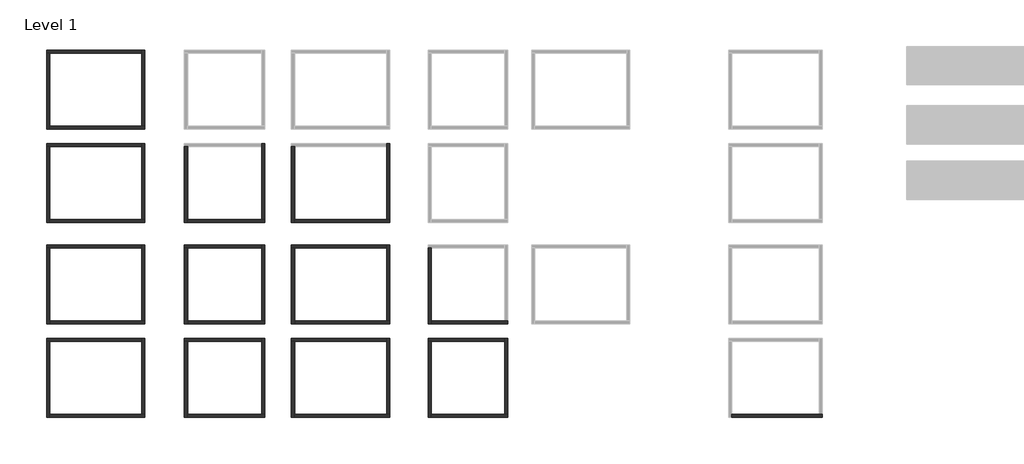
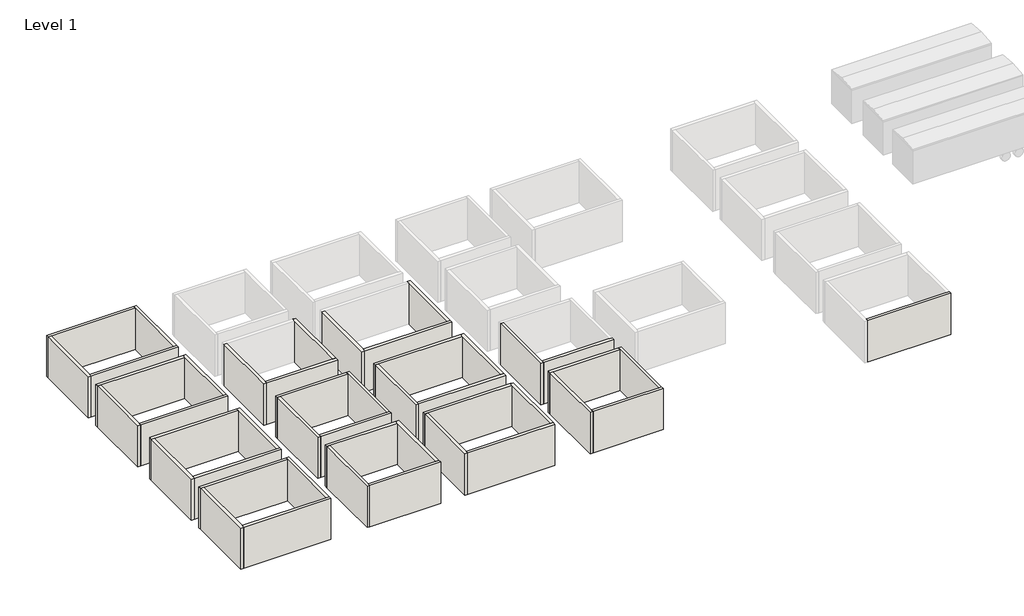
# One storey, part 1 of 2: 45 walls.
"""IFC4 building model written with IfcOpenShell, lengths in millimetres."""

import ifcopenshell
import ifcopenshell.guid

model = None  # the IFC model being written
_history = None  # IfcOwnerHistory: only IFC2X3 demands one
_inside = {}  # id of a spatial element -> (the spatial element, [elements in it])
_under = {}  # id of a project, library or spatial element -> (it, [spatial elements below it])
_declared = {}  # id of a project -> (the project, [libraries it declares])
_typed = {}  # id of a type object -> (the type object, [elements of that type])
_made_of = {}  # id of a material, layer set ... -> (it, [elements and type objects made of it])


def new_model(schema):
    """Start an empty IFC model of exactly this schema.

    Asked for "IFC4X3", IfcOpenShell would pick the latest addendum, in which some entities
    have other attributes; the version numbers below select the first issue.
    IFC2X3 requires an IfcOwnerHistory on every rooted entity: one is made here for all.
    """
    global model, _history
    if schema == "IFC4X3":
        model = ifcopenshell.file(schema_version=(4, 3, 0, 0))
    else:
        model = ifcopenshell.file(schema=schema)
    _inside.clear()
    _under.clear()
    _declared.clear()
    _typed.clear()
    _made_of.clear()
    _history = None
    if model.schema == "IFC2X3":
        org = make("IfcOrganization", Name="unknown")
        user = make(
            "IfcPersonAndOrganization",
            ThePerson=make("IfcPerson", FamilyName="unknown"),
            TheOrganization=org,
        )
        app = make(
            "IfcApplication",
            ApplicationDeveloper=org,
            Version="unknown",
            ApplicationFullName="unknown",
            ApplicationIdentifier="unknown",
        )
        _history = make(
            "IfcOwnerHistory",
            OwningUser=user,
            OwningApplication=app,
            ChangeAction="ADDED",
            CreationDate=0,
        )
    return model


def make(cls, **values):
    """One entity of the class cls with the attributes given. An attribute that is None is left unset."""
    return model.create_entity(
        cls, **{name: value for name, value in values.items() if value is not None}
    )


def rooted(cls, **values):
    """An entity with a GlobalId (a new one), such as an element, a storey or a relation."""
    return make(cls, GlobalId=ifcopenshell.guid.new(), OwnerHistory=_history, **values)


def si_unit(unit_type, name, prefix=None):
    """IfcSIUnit, for example si_unit("LENGTHUNIT", "METRE", prefix="MILLI")."""
    return make("IfcSIUnit", UnitType=unit_type, Prefix=prefix, Name=name)


def assignment(units):
    """IfcUnitAssignment: the units of a project."""
    return None if units is None else make("IfcUnitAssignment", Units=units)


def point(xyz):
    """IfcCartesianPoint."""
    return None if xyz is None else make("IfcCartesianPoint", Coordinates=xyz)


def direction(xyz):
    """IfcDirection."""
    return None if xyz is None else make("IfcDirection", DirectionRatios=xyz)


def frame(location, z_axis=None, x_axis=None):
    """IfcAxis2Placement3D, a coordinate frame: its origin and axes. An axis left out is left unset."""
    return make(
        "IfcAxis2Placement3D",
        Location=point(location),
        Axis=direction(z_axis),
        RefDirection=direction(x_axis),
    )


def origin():
    """The frame at (0, 0, 0) with its axes left unset."""
    return frame((0.0, 0.0, 0.0))


def place(relative_to, where):
    """IfcLocalPlacement: puts the frame where relative to a parent placement (None: the world)."""
    return make(
        "IfcLocalPlacement", PlacementRelTo=relative_to, RelativePlacement=where
    )


def context(
    kind, dimensions, precision=None, world=None, true_north=None, identifier=None
):
    """IfcGeometricRepresentationContext, for example the 3D "Model" context."""
    return make(
        "IfcGeometricRepresentationContext",
        ContextIdentifier=identifier,
        ContextType=kind,
        CoordinateSpaceDimension=dimensions,
        Precision=precision,
        WorldCoordinateSystem=world,
        TrueNorth=true_north,
    )


def project(units=None, contexts=None):
    """IfcProject with its units and contexts."""
    return rooted(
        "IfcProject",
        Name="project",
        RepresentationContexts=contexts,
        UnitsInContext=assignment(units),
    )


def spatial(cls, under=None, at=None, **own):
    """A site, building, storey or space (cls), placed at a placement, below another one or the project."""
    s = rooted(cls, ObjectPlacement=at, **own)
    if under is not None:
        _under.setdefault(under.id(), (under, []))[1].append(s)
    return s


def faces_of(points, faces, orient=None, outer=None):
    """IfcFace entities. A face is a list of loops; a loop is a list of indices into points, from 0.

    orient and outer hold one flag for each loop. By default every Orientation is true, the
    first loop of a face is its IfcFaceOuterBound and the others are IfcFaceBound.
    """
    made = []
    for i, loops in enumerate(faces):
        bounds = []
        for j, loop in enumerate(loops):
            is_outer = j == 0 if outer is None else outer[i][j]
            bounds.append(
                make(
                    "IfcFaceOuterBound" if is_outer else "IfcFaceBound",
                    Bound=make("IfcPolyLoop", Polygon=[points[k] for k in loop]),
                    Orientation=True if orient is None else orient[i][j],
                )
            )
        made.append(make("IfcFace", Bounds=bounds))
    return made


def faceted_brep(points, faces, orient=None, outer=None, voids=None):
    """IfcFacetedBrep: a solid bounded by flat faces; with voids (closed shells), ...WithVoids."""
    shared = [point(p) for p in points]
    hull = make("IfcClosedShell", CfsFaces=faces_of(shared, faces, orient, outer))
    if voids is None:
        return make("IfcFacetedBrep", Outer=hull)
    return make(
        "IfcFacetedBrepWithVoids",
        Outer=hull,
        Voids=[
            make(cls, CfsFaces=faces_of(shared, fs, o, b)) for cls, fs, o, b in voids
        ],
    )


def shape(context_of_items, identifier, shape_type, items):
    """IfcShapeRepresentation: the items that make up one representation, for example the "Body"."""
    return make(
        "IfcShapeRepresentation",
        ContextOfItems=context_of_items,
        RepresentationIdentifier=identifier,
        RepresentationType=shape_type,
        Items=items,
    )


def made_of(thing, what):
    """Note that an element or type object is made of a material, layer set ...; save() writes the relation."""
    if what is not None:
        _made_of.setdefault(what.id(), (what, []))[1].append(thing)
    return thing


def element(
    cls,
    number,
    at=None,
    inside=None,
    cuts=None,
    type_object=None,
    material=None,
    context=None,
    identifier="Body",
    shape_type=None,
    held_by="IfcProductDefinitionShape",
    body=None,
    shapes=None,
    **own,
):
    """One element of the class cls, such as IfcWall. Its Tag is "e" and its number.

    at: its placement. inside: the storey or other place that contains it. cuts: it is an
    opening in that element (IfcRelVoidsElement). A single representation is given by context,
    identifier, shape_type and body (its items); several are given by shapes. held_by: the class
    of the entity that holds the representations. save() writes the other relations.
    """
    e = rooted(cls, Tag="e%d" % number, ObjectPlacement=at, **own)
    if body is not None:
        shapes = [shape(context, identifier, shape_type, body)]
    if shapes is not None:
        e.Representation = make(held_by, Representations=shapes)
    if inside is not None:
        _inside.setdefault(inside.id(), (inside, []))[1].append(e)
    if cuts is not None:
        rooted(
            "IfcRelVoidsElement", RelatingBuildingElement=cuts, RelatedOpeningElement=e
        )
    if type_object is not None:
        _typed.setdefault(type_object.id(), (type_object, []))[1].append(e)
    return made_of(e, material)


def aggregate(whole, parts):
    """IfcRelAggregates: a whole, such as a stair, and the parts it consists of."""
    return rooted("IfcRelAggregates", RelatingObject=whole, RelatedObjects=parts)


def save(model, path):
    """Write the relations noted so far, then the file.

    IfcRelAggregates (storeys below a building ...), IfcRelContainedInSpatialStructure (elements
    in a storey), IfcRelDefinesByType, IfcRelAssociatesMaterial and IfcRelDeclares: one each for
    every whole, place, type object, material and project.
    """
    for whole, parts in _under.values():
        aggregate(whole, parts)
    for where, things in _inside.values():
        rooted(
            "IfcRelContainedInSpatialStructure",
            RelatedElements=things,
            RelatingStructure=where,
        )
    for kind, things in _typed.values():
        rooted("IfcRelDefinesByType", RelatedObjects=things, RelatingType=kind)
    for what, things in _made_of.values():
        rooted("IfcRelAssociatesMaterial", RelatedObjects=things, RelatingMaterial=what)
    for by, libraries in _declared.values():
        rooted("IfcRelDeclares", RelatingContext=by, RelatedDefinitions=libraries)
    model.write(path)


model = new_model("IFC4")

# Units and contexts
model_context = context("Model", 3, world=origin())
ifc_project = project(units=[si_unit("LENGTHUNIT", "METRE", prefix="MILLI")], contexts=[model_context])

# Site, building, storey
site = spatial("IfcSite", under=ifc_project)
building = spatial("IfcBuilding", under=site)
storey = spatial("IfcBuildingStorey", under=building, Name="Level 1", Elevation=0.0)

# Walls
placement = place(None, origin())
element("IfcWall", 1, ObjectType="Generic - 8\"", at=placement, inside=storey, context=model_context, shape_type="Brep", body=[
    faceted_brep([(-6605.5132406, 22706.2571144, 0.0), (-6402.3132406, 22706.2571144, 0.0), (-509.5132406, 22706.2571144, 0.0), (-509.5132406, 22706.2571144, 3048.0), (-6402.3132406, 22706.2571144, 3048.0), (-6605.5132406, 22706.2571144, 3048.0), (-6605.5132406, 22909.4571144, 0.0), (-6605.5132406, 22909.4571144, 3048.0), (-509.5132406, 22909.4571144, 3048.0), (-509.5132406, 22909.4571144, 0.0)], [[[0, 1, 2, 3, 4, 5]], [[6, 7, 8, 9]], [[2, 1, 0, 6, 9]], [[5, 4, 3, 8, 7]], [[0, 5, 7, 6]], [[3, 2, 9, 8]]]),
])
element("IfcWall", 2, ObjectType="Generic - 8\"", at=placement, inside=storey, context=model_context, shape_type="Brep", body=[
    faceted_brep([(-6402.3132406, 17829.4571144, 0.0), (-6402.3132406, 18032.6571144, 0.0), (-6402.3132406, 22706.2571144, 0.0), (-6402.3132406, 22706.2571144, 3048.0), (-6402.3132406, 18032.6571144, 3048.0), (-6402.3132406, 17829.4571144, 3048.0), (-6605.5132406, 17829.4571144, 0.0), (-6605.5132406, 17829.4571144, 3048.0), (-6605.5132406, 22706.2571144, 3048.0), (-6605.5132406, 22706.2571144, 0.0)], [[[0, 1, 2, 3, 4, 5]], [[6, 7, 8, 9]], [[2, 1, 0, 6, 9]], [[5, 4, 3, 8, 7]], [[0, 5, 7, 6]], [[3, 2, 9, 8]]]),
])
element("IfcWall", 3, ObjectType="Generic - 8\"", at=placement, inside=storey, context=model_context, shape_type="Brep", body=[
    faceted_brep([(-306.3132406, 18032.6571144, 0.0), (-509.5132406, 18032.6571144, 0.0), (-6402.3132406, 18032.6571144, 0.0), (-6402.3132406, 18032.6571144, 3048.0), (-509.5132406, 18032.6571144, 3048.0), (-306.3132406, 18032.6571144, 3048.0), (-306.3132406, 17829.4571144, 0.0), (-306.3132406, 17829.4571144, 3048.0), (-6402.3132406, 17829.4571144, 3048.0), (-6402.3132406, 17829.4571144, 0.0)], [[[0, 1, 2, 3, 4, 5]], [[6, 7, 8, 9]], [[2, 1, 0, 6, 9]], [[5, 4, 3, 8, 7]], [[0, 5, 7, 6]], [[3, 2, 9, 8]]]),
])
element("IfcWall", 4, ObjectType="Generic - 8\"", at=placement, inside=storey, context=model_context, shape_type="Brep", body=[
    faceted_brep([(-509.5132406, 22909.4571144, 0.0), (-509.5132406, 22706.2571144, 0.0), (-509.5132406, 18032.6571144, 0.0), (-509.5132406, 18032.6571144, 3048.0), (-509.5132406, 22706.2571144, 3048.0), (-509.5132406, 22909.4571144, 3048.0), (-306.3132406, 22909.4571144, 0.0), (-306.3132406, 22909.4571144, 3048.0), (-306.3132406, 18032.6571144, 3048.0), (-306.3132406, 18032.6571144, 0.0)], [[[0, 1, 2, 3, 4, 5]], [[6, 7, 8, 9]], [[2, 1, 0, 6, 9]], [[5, 4, 3, 8, 7]], [[0, 5, 7, 6]], [[3, 2, 9, 8]]]),
])
element("IfcWall", 5, ObjectType="Generic - 8\"", at=placement, inside=storey, context=model_context, shape_type="Brep", body=[
    faceted_brep([(-6605.5132406, 16711.204544, 0.0), (-6402.3132406, 16711.204544, 0.0), (-509.5132406, 16711.204544, 0.0), (-509.5132406, 16711.204544, 3048.0), (-6402.3132406, 16711.204544, 3048.0), (-6605.5132406, 16711.204544, 3048.0), (-6605.5132406, 16914.404544, 0.0), (-6605.5132406, 16914.404544, 3048.0), (-509.5132406, 16914.404544, 3048.0), (-509.5132406, 16914.404544, 0.0)], [[[0, 1, 2, 3, 4, 5]], [[6, 7, 8, 9]], [[2, 1, 0, 6, 9]], [[5, 4, 3, 8, 7]], [[0, 5, 7, 6]], [[3, 2, 9, 8]]]),
])
element("IfcWall", 6, ObjectType="Generic - 8\"", at=placement, inside=storey, context=model_context, shape_type="Brep", body=[
    faceted_brep([(-6402.3132406, 11837.9932938, 0.0), (-6402.3132406, 12041.1932938, 0.0), (-6402.3132406, 16711.204544, 0.0), (-6402.3132406, 16711.204544, 3048.0), (-6402.3132406, 12041.1932938, 3048.0), (-6402.3132406, 11837.9932938, 3048.0), (-6605.5132406, 11837.9932938, 0.0), (-6605.5132406, 11837.9932938, 3048.0), (-6605.5132406, 16711.204544, 3048.0), (-6605.5132406, 16711.204544, 0.0)], [[[0, 1, 2, 3, 4, 5]], [[6, 7, 8, 9]], [[2, 1, 0, 6, 9]], [[5, 4, 3, 8, 7]], [[0, 5, 7, 6]], [[3, 2, 9, 8]]]),
])
element("IfcWall", 7, ObjectType="Generic - 8\"", at=placement, inside=storey, context=model_context, shape_type="Brep", body=[
    faceted_brep([(-306.3132406, 12041.1932938, 0.0), (-509.5132406, 12041.1932938, 0.0), (-6402.3132406, 12041.1932938, 0.0), (-6402.3132406, 12041.1932938, 3048.0), (-509.5132406, 12041.1932938, 3048.0), (-306.3132406, 12041.1932938, 3048.0), (-306.3132406, 11837.9932938, 0.0), (-306.3132406, 11837.9932938, 3048.0), (-6402.3132406, 11837.9932938, 3048.0), (-6402.3132406, 11837.9932938, 0.0)], [[[0, 1, 2, 3, 4, 5]], [[6, 7, 8, 9]], [[2, 1, 0, 6, 9]], [[5, 4, 3, 8, 7]], [[0, 5, 7, 6]], [[3, 2, 9, 8]]]),
])
element("IfcWall", 8, ObjectType="Generic - 8\"", at=placement, inside=storey, context=model_context, shape_type="Brep", body=[
    faceted_brep([(-509.5132406, 16914.404544, 0.0), (-509.5132406, 16711.204544, 0.0), (-509.5132406, 12041.1932938, 0.0), (-509.5132406, 12041.1932938, 3048.0), (-509.5132406, 16711.204544, 3048.0), (-509.5132406, 16914.404544, 3048.0), (-306.3132406, 16914.404544, 0.0), (-306.3132406, 16914.404544, 3048.0), (-306.3132406, 12041.1932938, 3048.0), (-306.3132406, 12041.1932938, 0.0)], [[[0, 1, 2, 3, 4, 5]], [[6, 7, 8, 9]], [[2, 1, 0, 6, 9]], [[5, 4, 3, 8, 7]], [[0, 5, 7, 6]], [[3, 2, 9, 8]]]),
])
element("IfcWall", 9, ObjectType="Generic - 8\"", at=placement, inside=storey, context=model_context, shape_type="Brep", body=[
    faceted_brep([(2434.9865859, 11837.9932938, 0.0), (2434.9865859, 12041.1932938, 0.0), (2434.9865859, 16711.204544, 0.0), (2434.9865859, 16711.204544, 3048.0), (2434.9865859, 12041.1932938, 3048.0), (2434.9865859, 11837.9932938, 3048.0), (2231.7865859, 11837.9932938, 0.0), (2231.7865859, 11837.9932938, 3048.0), (2231.7865859, 16711.204544, 3048.0), (2231.7865859, 16711.204544, 0.0)], [[[0, 1, 2, 3, 4, 5]], [[6, 7, 8, 9]], [[2, 1, 0, 6, 9]], [[5, 4, 3, 8, 7]], [[0, 5, 7, 6]], [[3, 2, 9, 8]]]),
])
element("IfcWall", 10, ObjectType="Generic - 8\"", at=placement, inside=storey, context=model_context, shape_type="Brep", body=[
    faceted_brep([(7381.3329728, 12041.1932938, 0.0), (7178.1329728, 12041.1932938, 0.0), (2434.9865859, 12041.1932938, 0.0), (2434.9865859, 12041.1932938, 3048.0), (7178.1329728, 12041.1932938, 3048.0), (7381.3329728, 12041.1932938, 3048.0), (7381.3329728, 11837.9932938, 0.0), (7381.3329728, 11837.9932938, 3048.0), (2434.9865859, 11837.9932938, 3048.0), (2434.9865859, 11837.9932938, 0.0)], [[[0, 1, 2, 3, 4, 5]], [[6, 7, 8, 9]], [[2, 1, 0, 6, 9]], [[5, 4, 3, 8, 7]], [[0, 5, 7, 6]], [[3, 2, 9, 8]]]),
])
element("IfcWall", 11, ObjectType="Generic - 8\"", at=placement, inside=storey, context=model_context, shape_type="Brep", body=[
    faceted_brep([(7178.1329728, 16914.404544, 0.0), (7178.1329728, 16711.204544, 0.0), (7178.1329728, 12041.1932938, 0.0), (7178.1329728, 12041.1932938, 3048.0), (7178.1329728, 16711.204544, 3048.0), (7178.1329728, 16914.404544, 3048.0), (7381.3329728, 16914.404544, 0.0), (7381.3329728, 16914.404544, 3048.0), (7381.3329728, 12041.1932938, 3048.0), (7381.3329728, 12041.1932938, 0.0)], [[[0, 1, 2, 3, 4, 5]], [[6, 7, 8, 9]], [[2, 1, 0, 6, 9]], [[5, 4, 3, 8, 7]], [[0, 5, 7, 6]], [[3, 2, 9, 8]]]),
])
element("IfcWall", 12, ObjectType="Generic - 8\"", at=placement, inside=storey, context=model_context, shape_type="Brep", body=[
    faceted_brep([(9294.8867594, 11837.9932938, 0.0), (9294.8867594, 12041.1932938, 0.0), (9294.8867594, 16711.204544, 0.0), (9294.8867594, 16711.204544, 3048.0), (9294.8867594, 12041.1932938, 3048.0), (9294.8867594, 11837.9932938, 3048.0), (9091.6867594, 11837.9932938, 0.0), (9091.6867594, 11837.9932938, 3048.0), (9091.6867594, 16711.204544, 3048.0), (9091.6867594, 16711.204544, 0.0)], [[[0, 1, 2, 3, 4, 5]], [[6, 7, 8, 9]], [[2, 1, 0, 6, 9]], [[5, 4, 3, 8, 7]], [[0, 5, 7, 6]], [[3, 2, 9, 8]]]),
])
element("IfcWall", 13, ObjectType="Generic - 8\"", at=placement, inside=storey, context=model_context, shape_type="Brep", body=[
    faceted_brep([(15390.8867594, 12041.1932938, 0.0), (15187.6867594, 12041.1932938, 0.0), (9294.8867594, 12041.1932938, 0.0), (9294.8867594, 12041.1932938, 3048.0), (15187.6867594, 12041.1932938, 3048.0), (15390.8867594, 12041.1932938, 3048.0), (15390.8867594, 11837.9932938, 0.0), (15390.8867594, 11837.9932938, 3048.0), (9294.8867594, 11837.9932938, 3048.0), (9294.8867594, 11837.9932938, 0.0)], [[[0, 1, 2, 3, 4, 5]], [[6, 7, 8, 9]], [[2, 1, 0, 6, 9]], [[5, 4, 3, 8, 7]], [[0, 5, 7, 6]], [[3, 2, 9, 8]]]),
])
element("IfcWall", 14, ObjectType="Generic - 8\"", at=placement, inside=storey, context=model_context, shape_type="Brep", body=[
    faceted_brep([(15187.6867594, 16914.404544, 0.0), (15187.6867594, 16711.204544, 0.0), (15187.6867594, 12041.1932938, 0.0), (15187.6867594, 12041.1932938, 3048.0), (15187.6867594, 16711.204544, 3048.0), (15187.6867594, 16914.404544, 3048.0), (15390.8867594, 16914.404544, 0.0), (15390.8867594, 16914.404544, 3048.0), (15390.8867594, 12041.1932938, 3048.0), (15390.8867594, 12041.1932938, 0.0)], [[[0, 1, 2, 3, 4, 5]], [[6, 7, 8, 9]], [[2, 1, 0, 6, 9]], [[5, 4, 3, 8, 7]], [[0, 5, 7, 6]], [[3, 2, 9, 8]]]),
])
element("IfcWall", 15, ObjectType="Generic - 8\"", at=placement, inside=storey, context=model_context, shape_type="Brep", body=[
    faceted_brep([(-6605.5132406, 10209.4571144, 0.0), (-6402.3132406, 10209.4571144, 0.0), (-509.5132406, 10209.4571144, 0.0), (-509.5132406, 10209.4571144, 3048.0), (-6402.3132406, 10209.4571144, 3048.0), (-6605.5132406, 10209.4571144, 3048.0), (-6605.5132406, 10412.6571144, 0.0), (-6605.5132406, 10412.6571144, 3048.0), (-509.5132406, 10412.6571144, 3048.0), (-509.5132406, 10412.6571144, 0.0)], [[[0, 1, 2, 3, 4, 5]], [[6, 7, 8, 9]], [[2, 1, 0, 6, 9]], [[5, 4, 3, 8, 7]], [[0, 5, 7, 6]], [[3, 2, 9, 8]]]),
])
element("IfcWall", 16, ObjectType="Generic - 8\"", at=placement, inside=storey, context=model_context, shape_type="Brep", body=[
    faceted_brep([(-6402.3132406, 5332.6571144, 0.0), (-6402.3132406, 5535.8571144, 0.0), (-6402.3132406, 10209.4571144, 0.0), (-6402.3132406, 10209.4571144, 3048.0), (-6402.3132406, 5535.8571144, 3048.0), (-6402.3132406, 5332.6571144, 3048.0), (-6605.5132406, 5332.6571144, 0.0), (-6605.5132406, 5332.6571144, 3048.0), (-6605.5132406, 10209.4571144, 3048.0), (-6605.5132406, 10209.4571144, 0.0)], [[[0, 1, 2, 3, 4, 5]], [[6, 7, 8, 9]], [[2, 1, 0, 6, 9]], [[5, 4, 3, 8, 7]], [[0, 5, 7, 6]], [[3, 2, 9, 8]]]),
])
element("IfcWall", 17, ObjectType="Generic - 8\"", at=placement, inside=storey, context=model_context, shape_type="Brep", body=[
    faceted_brep([(-306.3132406, 5535.8571144, 0.0), (-509.5132406, 5535.8571144, 0.0), (-6402.3132406, 5535.8571144, 0.0), (-6402.3132406, 5535.8571144, 3048.0), (-509.5132406, 5535.8571144, 3048.0), (-306.3132406, 5535.8571144, 3048.0), (-306.3132406, 5332.6571144, 0.0), (-306.3132406, 5332.6571144, 3048.0), (-6402.3132406, 5332.6571144, 3048.0), (-6402.3132406, 5332.6571144, 0.0)], [[[0, 1, 2, 3, 4, 5]], [[6, 7, 8, 9]], [[2, 1, 0, 6, 9]], [[5, 4, 3, 8, 7]], [[0, 5, 7, 6]], [[3, 2, 9, 8]]]),
])
element("IfcWall", 18, ObjectType="Generic - 8\"", at=placement, inside=storey, context=model_context, shape_type="Brep", body=[
    faceted_brep([(-509.5132406, 10412.6571144, 0.0), (-509.5132406, 10209.4571144, 0.0), (-509.5132406, 5535.8571144, 0.0), (-509.5132406, 5535.8571144, 3048.0), (-509.5132406, 10209.4571144, 3048.0), (-509.5132406, 10412.6571144, 3048.0), (-306.3132406, 10412.6571144, 0.0), (-306.3132406, 10412.6571144, 3048.0), (-306.3132406, 5535.8571144, 3048.0), (-306.3132406, 5535.8571144, 0.0)], [[[0, 1, 2, 3, 4, 5]], [[6, 7, 8, 9]], [[2, 1, 0, 6, 9]], [[5, 4, 3, 8, 7]], [[0, 5, 7, 6]], [[3, 2, 9, 8]]]),
])
element("IfcWall", 19, ObjectType="Generic - 8\"", at=placement, inside=storey, context=model_context, shape_type="Brep", body=[
    faceted_brep([(2231.7865859, 10209.4571144, 0.0), (2434.9865859, 10209.4571144, 0.0), (7178.1329728, 10209.4571144, 0.0), (7178.1329728, 10209.4571144, 3048.0), (2434.9865859, 10209.4571144, 3048.0), (2231.7865859, 10209.4571144, 3048.0), (2231.7865859, 10412.6571144, 0.0), (2231.7865859, 10412.6571144, 3048.0), (7178.1329728, 10412.6571144, 3048.0), (7178.1329728, 10412.6571144, 0.0)], [[[0, 1, 2, 3, 4, 5]], [[6, 7, 8, 9]], [[2, 1, 0, 6, 9]], [[5, 4, 3, 8, 7]], [[0, 5, 7, 6]], [[3, 2, 9, 8]]]),
])
element("IfcWall", 20, ObjectType="Generic - 8\"", at=placement, inside=storey, context=model_context, shape_type="Brep", body=[
    faceted_brep([(2434.9865859, 5332.6571144, 0.0), (2434.9865859, 5535.8571144, 0.0), (2434.9865859, 10209.4571144, 0.0), (2434.9865859, 10209.4571144, 3048.0), (2434.9865859, 5535.8571144, 3048.0), (2434.9865859, 5332.6571144, 3048.0), (2231.7865859, 5332.6571144, 0.0), (2231.7865859, 5332.6571144, 3048.0), (2231.7865859, 10209.4571144, 3048.0), (2231.7865859, 10209.4571144, 0.0)], [[[0, 1, 2, 3, 4, 5]], [[6, 7, 8, 9]], [[2, 1, 0, 6, 9]], [[5, 4, 3, 8, 7]], [[0, 5, 7, 6]], [[3, 2, 9, 8]]]),
])
element("IfcWall", 21, ObjectType="Generic - 8\"", at=placement, inside=storey, context=model_context, shape_type="Brep", body=[
    faceted_brep([(7381.3329728, 5535.8571144, 0.0), (7178.1329728, 5535.8571144, 0.0), (2434.9865859, 5535.8571144, 0.0), (2434.9865859, 5535.8571144, 3048.0), (7178.1329728, 5535.8571144, 3048.0), (7381.3329728, 5535.8571144, 3048.0), (7381.3329728, 5332.6571144, 0.0), (7381.3329728, 5332.6571144, 3048.0), (2434.9865859, 5332.6571144, 3048.0), (2434.9865859, 5332.6571144, 0.0)], [[[0, 1, 2, 3, 4, 5]], [[6, 7, 8, 9]], [[2, 1, 0, 6, 9]], [[5, 4, 3, 8, 7]], [[0, 5, 7, 6]], [[3, 2, 9, 8]]]),
])
element("IfcWall", 22, ObjectType="Generic - 8\"", at=placement, inside=storey, context=model_context, shape_type="Brep", body=[
    faceted_brep([(7178.1329728, 10412.6571144, 0.0), (7178.1329728, 10209.4571144, 0.0), (7178.1329728, 5535.8571144, 0.0), (7178.1329728, 5535.8571144, 3048.0), (7178.1329728, 10209.4571144, 3048.0), (7178.1329728, 10412.6571144, 3048.0), (7381.3329728, 10412.6571144, 0.0), (7381.3329728, 10412.6571144, 3048.0), (7381.3329728, 5535.8571144, 3048.0), (7381.3329728, 5535.8571144, 0.0)], [[[0, 1, 2, 3, 4, 5]], [[6, 7, 8, 9]], [[2, 1, 0, 6, 9]], [[5, 4, 3, 8, 7]], [[0, 5, 7, 6]], [[3, 2, 9, 8]]]),
])
element("IfcWall", 23, ObjectType="Generic - 8\"", at=placement, inside=storey, context=model_context, shape_type="Brep", body=[
    faceted_brep([(-6605.5132406, 4214.404544, 0.0), (-6402.3132406, 4214.404544, 0.0), (-509.5132406, 4214.404544, 0.0), (-509.5132406, 4214.404544, 3048.0), (-6402.3132406, 4214.404544, 3048.0), (-6605.5132406, 4214.404544, 3048.0), (-6605.5132406, 4417.604544, 0.0), (-6605.5132406, 4417.604544, 3048.0), (-509.5132406, 4417.604544, 3048.0), (-509.5132406, 4417.604544, 0.0)], [[[0, 1, 2, 3, 4, 5]], [[6, 7, 8, 9]], [[2, 1, 0, 6, 9]], [[5, 4, 3, 8, 7]], [[0, 5, 7, 6]], [[3, 2, 9, 8]]]),
])
element("IfcWall", 24, ObjectType="Generic - 8\"", at=placement, inside=storey, context=model_context, shape_type="Brep", body=[
    faceted_brep([(-6402.3132406, -658.8067062, 0.0), (-6402.3132406, -455.6067062, 0.0), (-6402.3132406, 4214.404544, 0.0), (-6402.3132406, 4214.404544, 3048.0), (-6402.3132406, -455.6067062, 3048.0), (-6402.3132406, -658.8067062, 3048.0), (-6605.5132406, -658.8067062, 0.0), (-6605.5132406, -658.8067062, 3048.0), (-6605.5132406, 4214.404544, 3048.0), (-6605.5132406, 4214.404544, 0.0)], [[[0, 1, 2, 3, 4, 5]], [[6, 7, 8, 9]], [[2, 1, 0, 6, 9]], [[5, 4, 3, 8, 7]], [[0, 5, 7, 6]], [[3, 2, 9, 8]]]),
])
element("IfcWall", 25, ObjectType="Generic - 8\"", at=placement, inside=storey, context=model_context, shape_type="Brep", body=[
    faceted_brep([(-306.3132406, -455.6067062, 0.0), (-509.5132406, -455.6067062, 0.0), (-6402.3132406, -455.6067062, 0.0), (-6402.3132406, -455.6067062, 3048.0), (-509.5132406, -455.6067062, 3048.0), (-306.3132406, -455.6067062, 3048.0), (-306.3132406, -658.8067062, 0.0), (-306.3132406, -658.8067062, 3048.0), (-6402.3132406, -658.8067062, 3048.0), (-6402.3132406, -658.8067062, 0.0)], [[[0, 1, 2, 3, 4, 5]], [[6, 7, 8, 9]], [[2, 1, 0, 6, 9]], [[5, 4, 3, 8, 7]], [[0, 5, 7, 6]], [[3, 2, 9, 8]]]),
])
element("IfcWall", 26, ObjectType="Generic - 8\"", at=placement, inside=storey, context=model_context, shape_type="Brep", body=[
    faceted_brep([(-509.5132406, 4417.604544, 0.0), (-509.5132406, 4214.404544, 0.0), (-509.5132406, -455.6067062, 0.0), (-509.5132406, -455.6067062, 3048.0), (-509.5132406, 4214.404544, 3048.0), (-509.5132406, 4417.604544, 3048.0), (-306.3132406, 4417.604544, 0.0), (-306.3132406, 4417.604544, 3048.0), (-306.3132406, -455.6067062, 3048.0), (-306.3132406, -455.6067062, 0.0)], [[[0, 1, 2, 3, 4, 5]], [[6, 7, 8, 9]], [[2, 1, 0, 6, 9]], [[5, 4, 3, 8, 7]], [[0, 5, 7, 6]], [[3, 2, 9, 8]]]),
])
element("IfcWall", 27, ObjectType="Generic - 8\"", at=placement, inside=storey, context=model_context, shape_type="Brep", body=[
    faceted_brep([(2231.7865859, 4214.404544, 0.0), (2434.9865859, 4214.404544, 0.0), (7178.1329728, 4214.404544, 0.0), (7178.1329728, 4214.404544, 3048.0), (2434.9865859, 4214.404544, 3048.0), (2231.7865859, 4214.404544, 3048.0), (2231.7865859, 4417.604544, 0.0), (2231.7865859, 4417.604544, 3048.0), (7178.1329728, 4417.604544, 3048.0), (7178.1329728, 4417.604544, 0.0)], [[[0, 1, 2, 3, 4, 5]], [[6, 7, 8, 9]], [[2, 1, 0, 6, 9]], [[5, 4, 3, 8, 7]], [[0, 5, 7, 6]], [[3, 2, 9, 8]]]),
])
element("IfcWall", 28, ObjectType="Generic - 8\"", at=placement, inside=storey, context=model_context, shape_type="Brep", body=[
    faceted_brep([(2434.9865859, -658.8067062, 0.0), (2434.9865859, -455.6067062, 0.0), (2434.9865859, 4214.404544, 0.0), (2434.9865859, 4214.404544, 3048.0), (2434.9865859, -455.6067062, 3048.0), (2434.9865859, -658.8067062, 3048.0), (2231.7865859, -658.8067062, 0.0), (2231.7865859, -658.8067062, 3048.0), (2231.7865859, 4214.404544, 3048.0), (2231.7865859, 4214.404544, 0.0)], [[[0, 1, 2, 3, 4, 5]], [[6, 7, 8, 9]], [[2, 1, 0, 6, 9]], [[5, 4, 3, 8, 7]], [[0, 5, 7, 6]], [[3, 2, 9, 8]]]),
])
element("IfcWall", 29, ObjectType="Generic - 8\"", at=placement, inside=storey, context=model_context, shape_type="Brep", body=[
    faceted_brep([(7381.3329728, -455.6067062, 0.0), (7178.1329728, -455.6067062, 0.0), (2434.9865859, -455.6067062, 0.0), (2434.9865859, -455.6067062, 3048.0), (7178.1329728, -455.6067062, 3048.0), (7381.3329728, -455.6067062, 3048.0), (7381.3329728, -658.8067062, 0.0), (7381.3329728, -658.8067062, 3048.0), (2434.9865859, -658.8067062, 3048.0), (2434.9865859, -658.8067062, 0.0)], [[[0, 1, 2, 3, 4, 5]], [[6, 7, 8, 9]], [[2, 1, 0, 6, 9]], [[5, 4, 3, 8, 7]], [[0, 5, 7, 6]], [[3, 2, 9, 8]]]),
])
element("IfcWall", 30, ObjectType="Generic - 8\"", at=placement, inside=storey, context=model_context, shape_type="Brep", body=[
    faceted_brep([(7178.1329728, 4417.604544, 0.0), (7178.1329728, 4214.404544, 0.0), (7178.1329728, -455.6067062, 0.0), (7178.1329728, -455.6067062, 3048.0), (7178.1329728, 4214.404544, 3048.0), (7178.1329728, 4417.604544, 3048.0), (7381.3329728, 4417.604544, 0.0), (7381.3329728, 4417.604544, 3048.0), (7381.3329728, -455.6067062, 3048.0), (7381.3329728, -455.6067062, 0.0)], [[[0, 1, 2, 3, 4, 5]], [[6, 7, 8, 9]], [[2, 1, 0, 6, 9]], [[5, 4, 3, 8, 7]], [[0, 5, 7, 6]], [[3, 2, 9, 8]]]),
])
element("IfcWall", 31, ObjectType="Generic - 8\"", at=placement, inside=storey, context=model_context, shape_type="Brep", body=[
    faceted_brep([(9091.6867594, 10209.4571144, 0.0), (9294.8867594, 10209.4571144, 0.0), (15187.6867594, 10209.4571144, 0.0), (15187.6867594, 10209.4571144, 3048.0), (9294.8867594, 10209.4571144, 3048.0), (9091.6867594, 10209.4571144, 3048.0), (9091.6867594, 10412.6571144, 0.0), (9091.6867594, 10412.6571144, 3048.0), (15187.6867594, 10412.6571144, 3048.0), (15187.6867594, 10412.6571144, 0.0)], [[[0, 1, 2, 3, 4, 5]], [[6, 7, 8, 9]], [[2, 1, 0, 6, 9]], [[5, 4, 3, 8, 7]], [[0, 5, 7, 6]], [[3, 2, 9, 8]]]),
])
element("IfcWall", 32, ObjectType="Generic - 8\"", at=placement, inside=storey, context=model_context, shape_type="Brep", body=[
    faceted_brep([(9294.8867594, 5332.6571144, 0.0), (9294.8867594, 5535.8571144, 0.0), (9294.8867594, 10209.4571144, 0.0), (9294.8867594, 10209.4571144, 3048.0), (9294.8867594, 5535.8571144, 3048.0), (9294.8867594, 5332.6571144, 3048.0), (9091.6867594, 5332.6571144, 0.0), (9091.6867594, 5332.6571144, 3048.0), (9091.6867594, 10209.4571144, 3048.0), (9091.6867594, 10209.4571144, 0.0)], [[[0, 1, 2, 3, 4, 5]], [[6, 7, 8, 9]], [[2, 1, 0, 6, 9]], [[5, 4, 3, 8, 7]], [[0, 5, 7, 6]], [[3, 2, 9, 8]]]),
])
element("IfcWall", 33, ObjectType="Generic - 8\"", at=placement, inside=storey, context=model_context, shape_type="Brep", body=[
    faceted_brep([(15390.8867594, 5535.8571144, 0.0), (15187.6867594, 5535.8571144, 0.0), (9294.8867594, 5535.8571144, 0.0), (9294.8867594, 5535.8571144, 3048.0), (15187.6867594, 5535.8571144, 3048.0), (15390.8867594, 5535.8571144, 3048.0), (15390.8867594, 5332.6571144, 0.0), (15390.8867594, 5332.6571144, 3048.0), (9294.8867594, 5332.6571144, 3048.0), (9294.8867594, 5332.6571144, 0.0)], [[[0, 1, 2, 3, 4, 5]], [[6, 7, 8, 9]], [[2, 1, 0, 6, 9]], [[5, 4, 3, 8, 7]], [[0, 5, 7, 6]], [[3, 2, 9, 8]]]),
])
element("IfcWall", 34, ObjectType="Generic - 8\"", at=placement, inside=storey, context=model_context, shape_type="Brep", body=[
    faceted_brep([(15187.6867594, 10412.6571144, 0.0), (15187.6867594, 10209.4571144, 0.0), (15187.6867594, 5535.8571144, 0.0), (15187.6867594, 5535.8571144, 3048.0), (15187.6867594, 10209.4571144, 3048.0), (15187.6867594, 10412.6571144, 3048.0), (15390.8867594, 10412.6571144, 0.0), (15390.8867594, 10412.6571144, 3048.0), (15390.8867594, 5535.8571144, 3048.0), (15390.8867594, 5535.8571144, 0.0)], [[[0, 1, 2, 3, 4, 5]], [[6, 7, 8, 9]], [[2, 1, 0, 6, 9]], [[5, 4, 3, 8, 7]], [[0, 5, 7, 6]], [[3, 2, 9, 8]]]),
])
element("IfcWall", 35, ObjectType="Generic - 8\"", at=placement, inside=storey, context=model_context, shape_type="Brep", body=[
    faceted_brep([(9091.6867594, 4214.404544, 0.0), (9294.8867594, 4214.404544, 0.0), (15187.6867594, 4214.404544, 0.0), (15187.6867594, 4214.404544, 3048.0), (9294.8867594, 4214.404544, 3048.0), (9091.6867594, 4214.404544, 3048.0), (9091.6867594, 4417.604544, 0.0), (9091.6867594, 4417.604544, 3048.0), (15187.6867594, 4417.604544, 3048.0), (15187.6867594, 4417.604544, 0.0)], [[[0, 1, 2, 3, 4, 5]], [[6, 7, 8, 9]], [[2, 1, 0, 6, 9]], [[5, 4, 3, 8, 7]], [[0, 5, 7, 6]], [[3, 2, 9, 8]]]),
])
element("IfcWall", 36, ObjectType="Generic - 8\"", at=placement, inside=storey, context=model_context, shape_type="Brep", body=[
    faceted_brep([(9294.8867594, -658.8067062, 0.0), (9294.8867594, -455.6067062, 0.0), (9294.8867594, 4214.404544, 0.0), (9294.8867594, 4214.404544, 3048.0), (9294.8867594, -455.6067062, 3048.0), (9294.8867594, -658.8067062, 3048.0), (9091.6867594, -658.8067062, 0.0), (9091.6867594, -658.8067062, 3048.0), (9091.6867594, 4214.404544, 3048.0), (9091.6867594, 4214.404544, 0.0)], [[[0, 1, 2, 3, 4, 5]], [[6, 7, 8, 9]], [[2, 1, 0, 6, 9]], [[5, 4, 3, 8, 7]], [[0, 5, 7, 6]], [[3, 2, 9, 8]]]),
])
element("IfcWall", 37, ObjectType="Generic - 8\"", at=placement, inside=storey, context=model_context, shape_type="Brep", body=[
    faceted_brep([(15390.8867594, -455.6067062, 0.0), (15187.6867594, -455.6067062, 0.0), (9294.8867594, -455.6067062, 0.0), (9294.8867594, -455.6067062, 3048.0), (15187.6867594, -455.6067062, 3048.0), (15390.8867594, -455.6067062, 3048.0), (15390.8867594, -658.8067062, 0.0), (15390.8867594, -658.8067062, 3048.0), (9294.8867594, -658.8067062, 3048.0), (9294.8867594, -658.8067062, 0.0)], [[[0, 1, 2, 3, 4, 5]], [[6, 7, 8, 9]], [[2, 1, 0, 6, 9]], [[5, 4, 3, 8, 7]], [[0, 5, 7, 6]], [[3, 2, 9, 8]]]),
])
element("IfcWall", 38, ObjectType="Generic - 8\"", at=placement, inside=storey, context=model_context, shape_type="Brep", body=[
    faceted_brep([(15187.6867594, 4417.604544, 0.0), (15187.6867594, 4214.404544, 0.0), (15187.6867594, -455.6067062, 0.0), (15187.6867594, -455.6067062, 3048.0), (15187.6867594, 4214.404544, 3048.0), (15187.6867594, 4417.604544, 3048.0), (15390.8867594, 4417.604544, 0.0), (15390.8867594, 4417.604544, 3048.0), (15390.8867594, -455.6067062, 3048.0), (15390.8867594, -455.6067062, 0.0)], [[[0, 1, 2, 3, 4, 5]], [[6, 7, 8, 9]], [[2, 1, 0, 6, 9]], [[5, 4, 3, 8, 7]], [[0, 5, 7, 6]], [[3, 2, 9, 8]]]),
])
element("IfcWall", 39, ObjectType="Generic - 8\"", at=placement, inside=storey, context=model_context, shape_type="Brep", body=[
    faceted_brep([(18061.6002117, 5332.6571144, 0.0), (18061.6002117, 5535.8571144, 0.0), (18061.6002117, 10209.4571144, 0.0), (18061.6002117, 10209.4571144, 3048.0), (18061.6002117, 5535.8571144, 3048.0), (18061.6002117, 5332.6571144, 3048.0), (17858.4002117, 5332.6571144, 0.0), (17858.4002117, 5332.6571144, 3048.0), (17858.4002117, 10209.4571144, 3048.0), (17858.4002117, 10209.4571144, 0.0)], [[[0, 1, 2, 3, 4, 5]], [[6, 7, 8, 9]], [[2, 1, 0, 6, 9]], [[5, 4, 3, 8, 7]], [[0, 5, 7, 6]], [[3, 2, 9, 8]]]),
])
element("IfcWall", 40, ObjectType="Generic - 8\"", at=placement, inside=storey, context=model_context, shape_type="Brep", body=[
    faceted_brep([(22966.8720621, 5535.8571144, 0.0), (22763.6720621, 5535.8571144, 0.0), (18061.6002117, 5535.8571144, 0.0), (18061.6002117, 5535.8571144, 3048.0), (22763.6720621, 5535.8571144, 3048.0), (22966.8720621, 5535.8571144, 3048.0), (22966.8720621, 5332.6571144, 0.0), (22966.8720621, 5332.6571144, 3048.0), (18061.6002117, 5332.6571144, 3048.0), (18061.6002117, 5332.6571144, 0.0)], [[[0, 1, 2, 3, 4, 5]], [[6, 7, 8, 9]], [[2, 1, 0, 6, 9]], [[5, 4, 3, 8, 7]], [[0, 5, 7, 6]], [[3, 2, 9, 8]]]),
])
element("IfcWall", 41, ObjectType="Generic - 8\"", at=placement, inside=storey, context=model_context, shape_type="Brep", body=[
    faceted_brep([(17858.4002117, 4214.404544, 0.0), (18061.6002117, 4214.404544, 0.0), (22763.6720621, 4214.404544, 0.0), (22763.6720621, 4214.404544, 3048.0), (18061.6002117, 4214.404544, 3048.0), (17858.4002117, 4214.404544, 3048.0), (17858.4002117, 4417.604544, 0.0), (17858.4002117, 4417.604544, 3048.0), (22763.6720621, 4417.604544, 3048.0), (22763.6720621, 4417.604544, 0.0)], [[[0, 1, 2, 3, 4, 5]], [[6, 7, 8, 9]], [[2, 1, 0, 6, 9]], [[5, 4, 3, 8, 7]], [[0, 5, 7, 6]], [[3, 2, 9, 8]]]),
])
element("IfcWall", 42, ObjectType="Generic - 8\"", at=placement, inside=storey, context=model_context, shape_type="Brep", body=[
    faceted_brep([(18061.6002117, -658.8067062, 0.0), (18061.6002117, -455.6067062, 0.0), (18061.6002117, 4214.404544, 0.0), (18061.6002117, 4214.404544, 3048.0), (18061.6002117, -455.6067062, 3048.0), (18061.6002117, -658.8067062, 3048.0), (17858.4002117, -658.8067062, 0.0), (17858.4002117, -658.8067062, 3048.0), (17858.4002117, 4214.404544, 3048.0), (17858.4002117, 4214.404544, 0.0)], [[[0, 1, 2, 3, 4, 5]], [[6, 7, 8, 9]], [[2, 1, 0, 6, 9]], [[5, 4, 3, 8, 7]], [[0, 5, 7, 6]], [[3, 2, 9, 8]]]),
])
element("IfcWall", 43, ObjectType="Generic - 8\"", at=placement, inside=storey, context=model_context, shape_type="Brep", body=[
    faceted_brep([(22966.8720621, -455.6067062, 0.0), (22763.6720621, -455.6067062, 0.0), (18061.6002117, -455.6067062, 0.0), (18061.6002117, -455.6067062, 3048.0), (22763.6720621, -455.6067062, 3048.0), (22966.8720621, -455.6067062, 3048.0), (22966.8720621, -658.8067062, 0.0), (22966.8720621, -658.8067062, 3048.0), (18061.6002117, -658.8067062, 3048.0), (18061.6002117, -658.8067062, 0.0)], [[[0, 1, 2, 3, 4, 5]], [[6, 7, 8, 9]], [[2, 1, 0, 6, 9]], [[5, 4, 3, 8, 7]], [[0, 5, 7, 6]], [[3, 2, 9, 8]]]),
])
element("IfcWall", 44, ObjectType="Generic - 8\"", at=placement, inside=storey, context=model_context, shape_type="Brep", body=[
    faceted_brep([(22763.6720621, 4417.604544, 0.0), (22763.6720621, 4214.404544, 0.0), (22763.6720621, -455.6067062, 0.0), (22763.6720621, -455.6067062, 3048.0), (22763.6720621, 4214.404544, 3048.0), (22763.6720621, 4417.604544, 3048.0), (22966.8720621, 4417.604544, 0.0), (22966.8720621, 4417.604544, 3048.0), (22966.8720621, -455.6067062, 3048.0), (22966.8720621, -455.6067062, 0.0)], [[[0, 1, 2, 3, 4, 5]], [[6, 7, 8, 9]], [[2, 1, 0, 6, 9]], [[5, 4, 3, 8, 7]], [[0, 5, 7, 6]], [[3, 2, 9, 8]]]),
])
element("IfcWall", 45, ObjectType="Generic - 8\"", at=placement, inside=storey, context=model_context, shape_type="Brep", body=[
    faceted_brep([(43119.5785851, -455.6067062, 0.0), (42916.3785851, -455.6067062, 0.0), (37310.7588658, -455.6067062, 0.0), (37310.7588658, -455.6067062, 3048.0), (42916.3785851, -455.6067062, 3048.0), (43119.5785851, -455.6067062, 3048.0), (43119.5785851, -658.8067062, 0.0), (43119.5785851, -658.8067062, 3048.0), (37310.7588658, -658.8067062, 3048.0), (37310.7588658, -658.8067062, 0.0)], [[[0, 1, 2, 3, 4, 5]], [[6, 7, 8, 9]], [[2, 1, 0, 6, 9]], [[5, 4, 3, 8, 7]], [[0, 5, 7, 6]], [[3, 2, 9, 8]]]),
])

save(model, "model.ifc")
